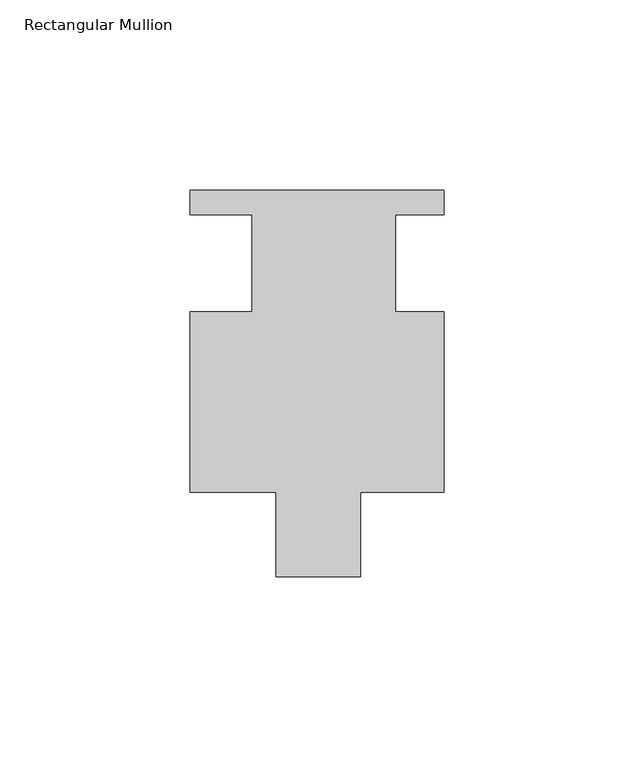
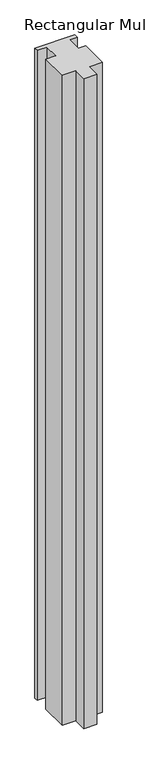
"""IFC4 building model written with IfcOpenShell, lengths in millimetres: member geometry, Rectangular Mullion."""

import ifcopenshell
import ifcopenshell.guid

model = None  # the IFC model being written
_history = None  # IfcOwnerHistory: only IFC2X3 demands one
_inside = {}  # id of a spatial element -> (the spatial element, [elements in it])
_under = {}  # id of a project, library or spatial element -> (it, [spatial elements below it])
_declared = {}  # id of a project -> (the project, [libraries it declares])
_typed = {}  # id of a type object -> (the type object, [elements of that type])
_made_of = {}  # id of a material, layer set ... -> (it, [elements and type objects made of it])


def new_model(schema):
    """Start an empty IFC model of exactly this schema.

    Asked for "IFC4X3", IfcOpenShell would pick the latest addendum, in which some entities
    have other attributes; the version numbers below select the first issue.
    IFC2X3 requires an IfcOwnerHistory on every rooted entity: one is made here for all.
    """
    global model, _history
    if schema == "IFC4X3":
        model = ifcopenshell.file(schema_version=(4, 3, 0, 0))
    else:
        model = ifcopenshell.file(schema=schema)
    _inside.clear()
    _under.clear()
    _declared.clear()
    _typed.clear()
    _made_of.clear()
    _history = None
    if model.schema == "IFC2X3":
        org = make("IfcOrganization", Name="unknown")
        user = make(
            "IfcPersonAndOrganization",
            ThePerson=make("IfcPerson", FamilyName="unknown"),
            TheOrganization=org,
        )
        app = make(
            "IfcApplication",
            ApplicationDeveloper=org,
            Version="unknown",
            ApplicationFullName="unknown",
            ApplicationIdentifier="unknown",
        )
        _history = make(
            "IfcOwnerHistory",
            OwningUser=user,
            OwningApplication=app,
            ChangeAction="ADDED",
            CreationDate=0,
        )
    return model


def make(cls, **values):
    """One entity of the class cls with the attributes given. An attribute that is None is left unset."""
    return model.create_entity(
        cls, **{name: value for name, value in values.items() if value is not None}
    )


def rooted(cls, **values):
    """An entity with a GlobalId (a new one), such as an element, a storey or a relation."""
    return make(cls, GlobalId=ifcopenshell.guid.new(), OwnerHistory=_history, **values)


def si_unit(unit_type, name, prefix=None):
    """IfcSIUnit, for example si_unit("LENGTHUNIT", "METRE", prefix="MILLI")."""
    return make("IfcSIUnit", UnitType=unit_type, Prefix=prefix, Name=name)


def assignment(units):
    """IfcUnitAssignment: the units of a project."""
    return None if units is None else make("IfcUnitAssignment", Units=units)


def point(xyz):
    """IfcCartesianPoint."""
    return None if xyz is None else make("IfcCartesianPoint", Coordinates=xyz)


def direction(xyz):
    """IfcDirection."""
    return None if xyz is None else make("IfcDirection", DirectionRatios=xyz)


def frame(location, z_axis=None, x_axis=None):
    """IfcAxis2Placement3D, a coordinate frame: its origin and axes. An axis left out is left unset."""
    return make(
        "IfcAxis2Placement3D",
        Location=point(location),
        Axis=direction(z_axis),
        RefDirection=direction(x_axis),
    )


def origin():
    """The frame at (0, 0, 0) with its axes left unset."""
    return frame((0.0, 0.0, 0.0))


def place(relative_to, where):
    """IfcLocalPlacement: puts the frame where relative to a parent placement (None: the world)."""
    return make(
        "IfcLocalPlacement", PlacementRelTo=relative_to, RelativePlacement=where
    )


def context(
    kind, dimensions, precision=None, world=None, true_north=None, identifier=None
):
    """IfcGeometricRepresentationContext, for example the 3D "Model" context."""
    return make(
        "IfcGeometricRepresentationContext",
        ContextIdentifier=identifier,
        ContextType=kind,
        CoordinateSpaceDimension=dimensions,
        Precision=precision,
        WorldCoordinateSystem=world,
        TrueNorth=true_north,
    )


def project(units=None, contexts=None):
    """IfcProject with its units and contexts."""
    return rooted(
        "IfcProject",
        Name="project",
        RepresentationContexts=contexts,
        UnitsInContext=assignment(units),
    )


def spatial(cls, under=None, at=None, **own):
    """A site, building, storey or space (cls), placed at a placement, below another one or the project."""
    s = rooted(cls, ObjectPlacement=at, **own)
    if under is not None:
        _under.setdefault(under.id(), (under, []))[1].append(s)
    return s


def polyline(points):
    """IfcPolyline through the points."""
    return make("IfcPolyline", Points=[point(p) for p in points])


def outline(outer, holes=None, kind="AREA"):
    """IfcArbitraryClosedProfileDef: a profile drawn as a closed curve; with holes, ...WithVoids."""
    if holes is None:
        return make("IfcArbitraryClosedProfileDef", ProfileType=kind, OuterCurve=outer)
    return make(
        "IfcArbitraryProfileDefWithVoids",
        ProfileType=kind,
        OuterCurve=outer,
        InnerCurves=holes,
    )


def extrude(swept, where, along, depth):
    """IfcExtrudedAreaSolid: the profile swept, set in the frame where, extruded along a direction by depth."""
    return make(
        "IfcExtrudedAreaSolid",
        SweptArea=swept,
        Position=where,
        ExtrudedDirection=direction(along),
        Depth=depth,
    )


def shape(context_of_items, identifier, shape_type, items):
    """IfcShapeRepresentation: the items that make up one representation, for example the "Body"."""
    return make(
        "IfcShapeRepresentation",
        ContextOfItems=context_of_items,
        RepresentationIdentifier=identifier,
        RepresentationType=shape_type,
        Items=items,
    )


def source(mapping_origin, context_of_items, identifier, shape_type, items):
    """IfcRepresentationMap: a shape defined once, which mapped items show again and again."""
    return make(
        "IfcRepresentationMap",
        MappingOrigin=mapping_origin,
        MappedRepresentation=shape(context_of_items, identifier, shape_type, items),
    )


def transform(
    local_origin,
    x_axis=None,
    y_axis=None,
    z_axis=None,
    scale=None,
    scale2=None,
    scale3=None,
    uniform=True,
):
    """IfcCartesianTransformationOperator3D, or its non-uniform kind. x_axis, y_axis, z_axis: its Axis1, 2, 3."""
    if uniform:
        return make(
            "IfcCartesianTransformationOperator3D",
            Axis1=direction(x_axis),
            Axis2=direction(y_axis),
            LocalOrigin=point(local_origin),
            Scale=scale,
            Axis3=direction(z_axis),
        )
    return make(
        "IfcCartesianTransformationOperator3DnonUniform",
        Axis1=direction(x_axis),
        Axis2=direction(y_axis),
        LocalOrigin=point(local_origin),
        Scale=scale,
        Axis3=direction(z_axis),
        Scale2=scale2,
        Scale3=scale3,
    )


def mapped(mapping_source, mapping_target):
    """IfcMappedItem: shows the shape of a source again, moved by a transform."""
    return make(
        "IfcMappedItem", MappingSource=mapping_source, MappingTarget=mapping_target
    )


def made_of(thing, what):
    """Note that an element or type object is made of a material, layer set ...; save() writes the relation."""
    if what is not None:
        _made_of.setdefault(what.id(), (what, []))[1].append(thing)
    return thing


def element(
    cls,
    number,
    at=None,
    inside=None,
    cuts=None,
    type_object=None,
    material=None,
    context=None,
    identifier="Body",
    shape_type=None,
    held_by="IfcProductDefinitionShape",
    body=None,
    shapes=None,
    **own,
):
    """One element of the class cls, such as IfcWall. Its Tag is "e" and its number.

    at: its placement. inside: the storey or other place that contains it. cuts: it is an
    opening in that element (IfcRelVoidsElement). A single representation is given by context,
    identifier, shape_type and body (its items); several are given by shapes. held_by: the class
    of the entity that holds the representations. save() writes the other relations.
    """
    e = rooted(cls, Tag="e%d" % number, ObjectPlacement=at, **own)
    if body is not None:
        shapes = [shape(context, identifier, shape_type, body)]
    if shapes is not None:
        e.Representation = make(held_by, Representations=shapes)
    if inside is not None:
        _inside.setdefault(inside.id(), (inside, []))[1].append(e)
    if cuts is not None:
        rooted(
            "IfcRelVoidsElement", RelatingBuildingElement=cuts, RelatedOpeningElement=e
        )
    if type_object is not None:
        _typed.setdefault(type_object.id(), (type_object, []))[1].append(e)
    return made_of(e, material)


def aggregate(whole, parts):
    """IfcRelAggregates: a whole, such as a stair, and the parts it consists of."""
    return rooted("IfcRelAggregates", RelatingObject=whole, RelatedObjects=parts)


def save(model, path):
    """Write the relations noted so far, then the file.

    IfcRelAggregates (storeys below a building ...), IfcRelContainedInSpatialStructure (elements
    in a storey), IfcRelDefinesByType, IfcRelAssociatesMaterial and IfcRelDeclares: one each for
    every whole, place, type object, material and project.
    """
    for whole, parts in _under.values():
        aggregate(whole, parts)
    for where, things in _inside.values():
        rooted(
            "IfcRelContainedInSpatialStructure",
            RelatedElements=things,
            RelatingStructure=where,
        )
    for kind, things in _typed.values():
        rooted("IfcRelDefinesByType", RelatedObjects=things, RelatingType=kind)
    for what, things in _made_of.values():
        rooted("IfcRelAssociatesMaterial", RelatedObjects=things, RelatingMaterial=what)
    for by, libraries in _declared.values():
        rooted("IfcRelDeclares", RelatingContext=by, RelatedDefinitions=libraries)
    model.write(path)


def rectangular_mullion_8dc4f29a(model_context):
    return source(origin(), model_context, "Body", "SweptSolid", [
        extrude(outline(polyline([(15.8437777, -73.025), (-6.3812223, -73.025), (-6.3812223, -50.8), (-29.0030973, -50.8), (-29.0030973, -3.302), (-12.7312223, -3.302), (-12.7312223, 22.098), (-29.0030973, 22.098), (-29.0030973, 28.575), (37.6719027, 28.575), (37.6719027, 22.098), (24.9701322, 22.098), (24.9701322, -3.302), (37.6719027, -3.302), (37.6719027, -50.8), (15.8437777, -50.8), (15.8437777, -73.025)])), frame((0.0, 0.0, -1145.7469027), z_axis=(0.0, 0.0, 1.0), x_axis=(1.0, 0.0, 0.0)), (0.0, 0.0, 1.0), 1145.7469027),
    ])


if __name__ == "__main__":
    model = new_model("IFC4")
    model_context = context("Model", 3, world=origin())
    ifc_project = project(units=[si_unit("LENGTHUNIT", "METRE", prefix="MILLI")], contexts=[model_context])
    site = spatial("IfcSite", under=ifc_project)
    building = spatial("IfcBuilding", under=site)
    placement = place(None, origin())
    rectangular_mullion_shape = rectangular_mullion_8dc4f29a(model_context)
    element("IfcMember", 1, ObjectType="Rectangular Mullion", at=placement, inside=building, context=model_context, shape_type="MappedRepresentation", body=[
        mapped(rectangular_mullion_shape, transform((0.0, 0.0, 0.0), x_axis=(1.0, 0.0, 0.0), y_axis=(0.0, 1.0, 0.0), z_axis=(0.0, 0.0, 1.0))),
    ])
    save(model, "model.ifc")
